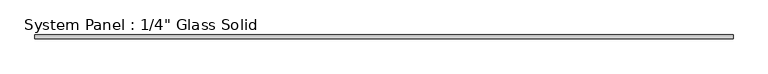
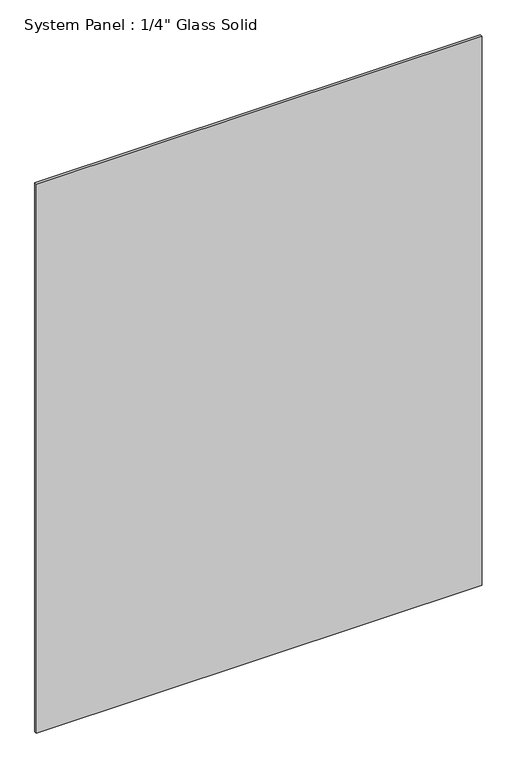
"""IFC4 building model written with IfcOpenShell, lengths in millimetres: plate geometry."""

from ifc_helpers import new_model, si_unit, origin, origin_with_axes, place, context, project, spatial, polyline, outline, extrude, source, transform, mapped, element, save


def plate_6f88cef0(model_context):
    return source(origin(), model_context, "Body", "SweptSolid", [
        extrude(outline(polyline([(553.0305865, -3.175), (-553.0305865, -3.175), (-553.0305865, 3.175), (553.0305865, 3.175), (553.0305865, -3.175)])), origin_with_axes(), (0.0, 0.0, 1.0), 1440.1817704),
    ])


if __name__ == "__main__":
    model = new_model("IFC4")
    model_context = context("Model", 3, world=origin())
    ifc_project = project(units=[si_unit("LENGTHUNIT", "METRE", prefix="MILLI")], contexts=[model_context])
    site = spatial("IfcSite", under=ifc_project)
    building = spatial("IfcBuilding", under=site)
    placement = place(None, origin())
    plate_shape = plate_6f88cef0(model_context)
    element("IfcPlate", 1, ObjectType="System Panel : 1/4\" Glass Solid", at=placement, inside=building, context=model_context, shape_type="MappedRepresentation", body=[
        mapped(plate_shape, transform((0.0, 0.0, 0.0), x_axis=(1.0, 0.0, 0.0), y_axis=(0.0, 1.0, 0.0), z_axis=(0.0, 0.0, 1.0))),
    ])
    save(model, "model.ifc")
